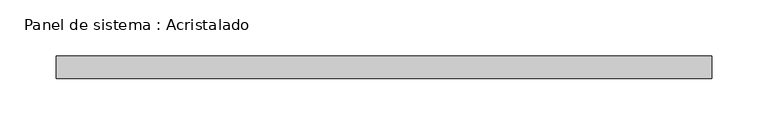
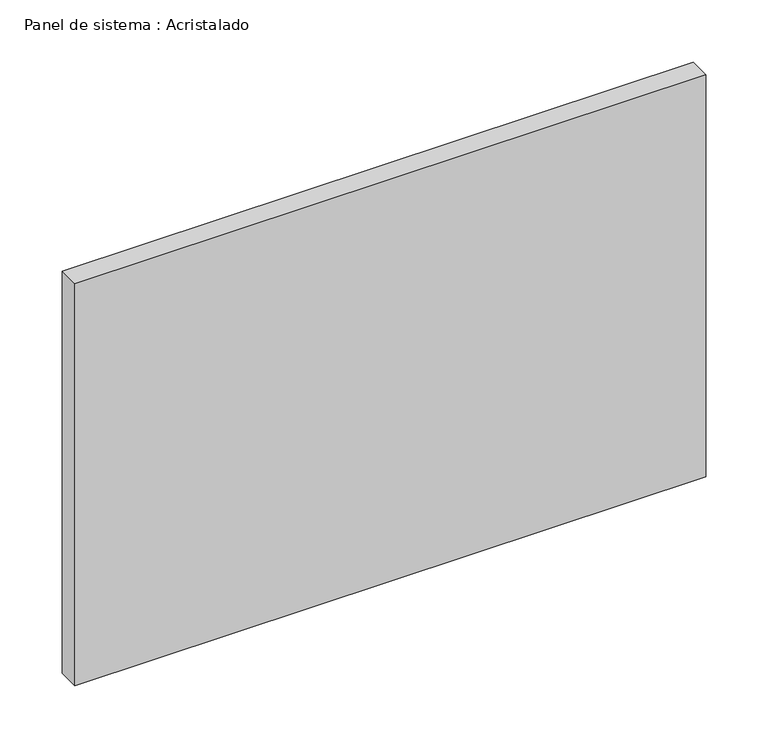
"""IFC4 building model written with IfcOpenShell, lengths in millimetres: plate geometry, Panel de sistema : Acristalado."""

import ifcopenshell
import ifcopenshell.guid

model = None  # the IFC model being written
_history = None  # IfcOwnerHistory: only IFC2X3 demands one
_inside = {}  # id of a spatial element -> (the spatial element, [elements in it])
_under = {}  # id of a project, library or spatial element -> (it, [spatial elements below it])
_declared = {}  # id of a project -> (the project, [libraries it declares])
_typed = {}  # id of a type object -> (the type object, [elements of that type])
_made_of = {}  # id of a material, layer set ... -> (it, [elements and type objects made of it])


def new_model(schema):
    """Start an empty IFC model of exactly this schema.

    Asked for "IFC4X3", IfcOpenShell would pick the latest addendum, in which some entities
    have other attributes; the version numbers below select the first issue.
    IFC2X3 requires an IfcOwnerHistory on every rooted entity: one is made here for all.
    """
    global model, _history
    if schema == "IFC4X3":
        model = ifcopenshell.file(schema_version=(4, 3, 0, 0))
    else:
        model = ifcopenshell.file(schema=schema)
    _inside.clear()
    _under.clear()
    _declared.clear()
    _typed.clear()
    _made_of.clear()
    _history = None
    if model.schema == "IFC2X3":
        org = make("IfcOrganization", Name="unknown")
        user = make(
            "IfcPersonAndOrganization",
            ThePerson=make("IfcPerson", FamilyName="unknown"),
            TheOrganization=org,
        )
        app = make(
            "IfcApplication",
            ApplicationDeveloper=org,
            Version="unknown",
            ApplicationFullName="unknown",
            ApplicationIdentifier="unknown",
        )
        _history = make(
            "IfcOwnerHistory",
            OwningUser=user,
            OwningApplication=app,
            ChangeAction="ADDED",
            CreationDate=0,
        )
    return model


def make(cls, **values):
    """One entity of the class cls with the attributes given. An attribute that is None is left unset."""
    return model.create_entity(
        cls, **{name: value for name, value in values.items() if value is not None}
    )


def rooted(cls, **values):
    """An entity with a GlobalId (a new one), such as an element, a storey or a relation."""
    return make(cls, GlobalId=ifcopenshell.guid.new(), OwnerHistory=_history, **values)


def si_unit(unit_type, name, prefix=None):
    """IfcSIUnit, for example si_unit("LENGTHUNIT", "METRE", prefix="MILLI")."""
    return make("IfcSIUnit", UnitType=unit_type, Prefix=prefix, Name=name)


def assignment(units):
    """IfcUnitAssignment: the units of a project."""
    return None if units is None else make("IfcUnitAssignment", Units=units)


def point(xyz):
    """IfcCartesianPoint."""
    return None if xyz is None else make("IfcCartesianPoint", Coordinates=xyz)


def direction(xyz):
    """IfcDirection."""
    return None if xyz is None else make("IfcDirection", DirectionRatios=xyz)


def frame(location, z_axis=None, x_axis=None):
    """IfcAxis2Placement3D, a coordinate frame: its origin and axes. An axis left out is left unset."""
    return make(
        "IfcAxis2Placement3D",
        Location=point(location),
        Axis=direction(z_axis),
        RefDirection=direction(x_axis),
    )


def origin():
    """The frame at (0, 0, 0) with its axes left unset."""
    return frame((0.0, 0.0, 0.0))


def origin_with_axes():
    """The frame at (0, 0, 0) with the z axis (0, 0, 1) and the x axis (1, 0, 0) written out."""
    return frame((0.0, 0.0, 0.0), z_axis=(0.0, 0.0, 1.0), x_axis=(1.0, 0.0, 0.0))


def place(relative_to, where):
    """IfcLocalPlacement: puts the frame where relative to a parent placement (None: the world)."""
    return make(
        "IfcLocalPlacement", PlacementRelTo=relative_to, RelativePlacement=where
    )


def context(
    kind, dimensions, precision=None, world=None, true_north=None, identifier=None
):
    """IfcGeometricRepresentationContext, for example the 3D "Model" context."""
    return make(
        "IfcGeometricRepresentationContext",
        ContextIdentifier=identifier,
        ContextType=kind,
        CoordinateSpaceDimension=dimensions,
        Precision=precision,
        WorldCoordinateSystem=world,
        TrueNorth=true_north,
    )


def project(units=None, contexts=None):
    """IfcProject with its units and contexts."""
    return rooted(
        "IfcProject",
        Name="project",
        RepresentationContexts=contexts,
        UnitsInContext=assignment(units),
    )


def spatial(cls, under=None, at=None, **own):
    """A site, building, storey or space (cls), placed at a placement, below another one or the project."""
    s = rooted(cls, ObjectPlacement=at, **own)
    if under is not None:
        _under.setdefault(under.id(), (under, []))[1].append(s)
    return s


def polyline(points):
    """IfcPolyline through the points."""
    return make("IfcPolyline", Points=[point(p) for p in points])


def outline(outer, holes=None, kind="AREA"):
    """IfcArbitraryClosedProfileDef: a profile drawn as a closed curve; with holes, ...WithVoids."""
    if holes is None:
        return make("IfcArbitraryClosedProfileDef", ProfileType=kind, OuterCurve=outer)
    return make(
        "IfcArbitraryProfileDefWithVoids",
        ProfileType=kind,
        OuterCurve=outer,
        InnerCurves=holes,
    )


def extrude(swept, where, along, depth):
    """IfcExtrudedAreaSolid: the profile swept, set in the frame where, extruded along a direction by depth."""
    return make(
        "IfcExtrudedAreaSolid",
        SweptArea=swept,
        Position=where,
        ExtrudedDirection=direction(along),
        Depth=depth,
    )


def shape(context_of_items, identifier, shape_type, items):
    """IfcShapeRepresentation: the items that make up one representation, for example the "Body"."""
    return make(
        "IfcShapeRepresentation",
        ContextOfItems=context_of_items,
        RepresentationIdentifier=identifier,
        RepresentationType=shape_type,
        Items=items,
    )


def source(mapping_origin, context_of_items, identifier, shape_type, items):
    """IfcRepresentationMap: a shape defined once, which mapped items show again and again."""
    return make(
        "IfcRepresentationMap",
        MappingOrigin=mapping_origin,
        MappedRepresentation=shape(context_of_items, identifier, shape_type, items),
    )


def transform(
    local_origin,
    x_axis=None,
    y_axis=None,
    z_axis=None,
    scale=None,
    scale2=None,
    scale3=None,
    uniform=True,
):
    """IfcCartesianTransformationOperator3D, or its non-uniform kind. x_axis, y_axis, z_axis: its Axis1, 2, 3."""
    if uniform:
        return make(
            "IfcCartesianTransformationOperator3D",
            Axis1=direction(x_axis),
            Axis2=direction(y_axis),
            LocalOrigin=point(local_origin),
            Scale=scale,
            Axis3=direction(z_axis),
        )
    return make(
        "IfcCartesianTransformationOperator3DnonUniform",
        Axis1=direction(x_axis),
        Axis2=direction(y_axis),
        LocalOrigin=point(local_origin),
        Scale=scale,
        Axis3=direction(z_axis),
        Scale2=scale2,
        Scale3=scale3,
    )


def mapped(mapping_source, mapping_target):
    """IfcMappedItem: shows the shape of a source again, moved by a transform."""
    return make(
        "IfcMappedItem", MappingSource=mapping_source, MappingTarget=mapping_target
    )


def made_of(thing, what):
    """Note that an element or type object is made of a material, layer set ...; save() writes the relation."""
    if what is not None:
        _made_of.setdefault(what.id(), (what, []))[1].append(thing)
    return thing


def element(
    cls,
    number,
    at=None,
    inside=None,
    cuts=None,
    type_object=None,
    material=None,
    context=None,
    identifier="Body",
    shape_type=None,
    held_by="IfcProductDefinitionShape",
    body=None,
    shapes=None,
    **own,
):
    """One element of the class cls, such as IfcWall. Its Tag is "e" and its number.

    at: its placement. inside: the storey or other place that contains it. cuts: it is an
    opening in that element (IfcRelVoidsElement). A single representation is given by context,
    identifier, shape_type and body (its items); several are given by shapes. held_by: the class
    of the entity that holds the representations. save() writes the other relations.
    """
    e = rooted(cls, Tag="e%d" % number, ObjectPlacement=at, **own)
    if body is not None:
        shapes = [shape(context, identifier, shape_type, body)]
    if shapes is not None:
        e.Representation = make(held_by, Representations=shapes)
    if inside is not None:
        _inside.setdefault(inside.id(), (inside, []))[1].append(e)
    if cuts is not None:
        rooted(
            "IfcRelVoidsElement", RelatingBuildingElement=cuts, RelatedOpeningElement=e
        )
    if type_object is not None:
        _typed.setdefault(type_object.id(), (type_object, []))[1].append(e)
    return made_of(e, material)


def aggregate(whole, parts):
    """IfcRelAggregates: a whole, such as a stair, and the parts it consists of."""
    return rooted("IfcRelAggregates", RelatingObject=whole, RelatedObjects=parts)


def save(model, path):
    """Write the relations noted so far, then the file.

    IfcRelAggregates (storeys below a building ...), IfcRelContainedInSpatialStructure (elements
    in a storey), IfcRelDefinesByType, IfcRelAssociatesMaterial and IfcRelDeclares: one each for
    every whole, place, type object, material and project.
    """
    for whole, parts in _under.values():
        aggregate(whole, parts)
    for where, things in _inside.values():
        rooted(
            "IfcRelContainedInSpatialStructure",
            RelatedElements=things,
            RelatingStructure=where,
        )
    for kind, things in _typed.values():
        rooted("IfcRelDefinesByType", RelatedObjects=things, RelatingType=kind)
    for what, things in _made_of.values():
        rooted("IfcRelAssociatesMaterial", RelatedObjects=things, RelatingMaterial=what)
    for by, libraries in _declared.values():
        rooted("IfcRelDeclares", RelatingContext=by, RelatedDefinitions=libraries)
    model.write(path)


def panel_de_sistema_acristalado_b5187eba(model_context):
    return source(origin(), model_context, "Body", "SweptSolid", [
        extrude(outline(polyline([(291.5, -10.0), (-291.5, -10.0), (-291.5, 10.0), (291.5, 10.0), (291.5, -10.0)])), origin_with_axes(), (0.0, 0.0, 1.0), 392.7452144),
    ])


if __name__ == "__main__":
    model = new_model("IFC4")
    model_context = context("Model", 3, world=origin())
    ifc_project = project(units=[si_unit("LENGTHUNIT", "METRE", prefix="MILLI")], contexts=[model_context])
    site = spatial("IfcSite", under=ifc_project)
    building = spatial("IfcBuilding", under=site)
    placement = place(None, origin())
    panel_de_sistema_acristalado_shape = panel_de_sistema_acristalado_b5187eba(model_context)
    element("IfcPlate", 1, ObjectType="Panel de sistema : Acristalado", at=placement, inside=building, context=model_context, shape_type="MappedRepresentation", body=[
        mapped(panel_de_sistema_acristalado_shape, transform((0.0, 0.0, 0.0), x_axis=(1.0, 0.0, 0.0), y_axis=(0.0, 1.0, 0.0), z_axis=(0.0, 0.0, 1.0))),
    ])
    save(model, "model.ifc")
